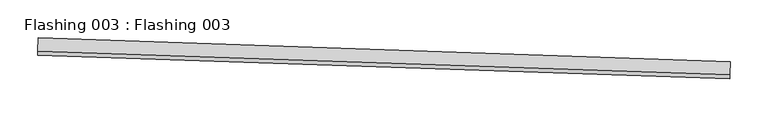
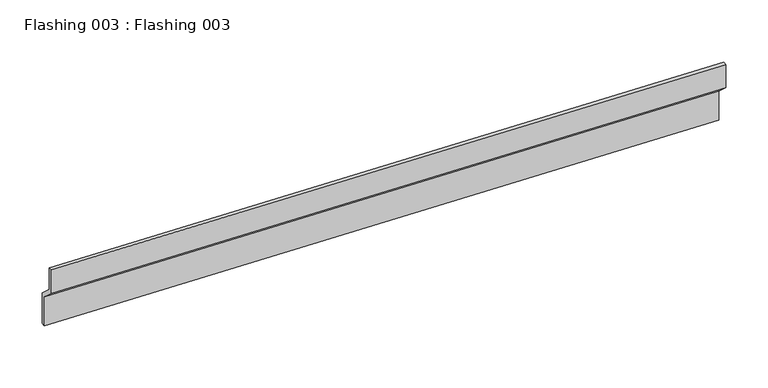
"""IFC4 building model written with IfcOpenShell, lengths in millimetres: proxy geometry, Flashing 003 : Flashing 003."""

import ifcopenshell
import ifcopenshell.guid

model = None  # the IFC model being written
_history = None  # IfcOwnerHistory: only IFC2X3 demands one
_inside = {}  # id of a spatial element -> (the spatial element, [elements in it])
_under = {}  # id of a project, library or spatial element -> (it, [spatial elements below it])
_declared = {}  # id of a project -> (the project, [libraries it declares])
_typed = {}  # id of a type object -> (the type object, [elements of that type])
_made_of = {}  # id of a material, layer set ... -> (it, [elements and type objects made of it])


def new_model(schema):
    """Start an empty IFC model of exactly this schema.

    Asked for "IFC4X3", IfcOpenShell would pick the latest addendum, in which some entities
    have other attributes; the version numbers below select the first issue.
    IFC2X3 requires an IfcOwnerHistory on every rooted entity: one is made here for all.
    """
    global model, _history
    if schema == "IFC4X3":
        model = ifcopenshell.file(schema_version=(4, 3, 0, 0))
    else:
        model = ifcopenshell.file(schema=schema)
    _inside.clear()
    _under.clear()
    _declared.clear()
    _typed.clear()
    _made_of.clear()
    _history = None
    if model.schema == "IFC2X3":
        org = make("IfcOrganization", Name="unknown")
        user = make(
            "IfcPersonAndOrganization",
            ThePerson=make("IfcPerson", FamilyName="unknown"),
            TheOrganization=org,
        )
        app = make(
            "IfcApplication",
            ApplicationDeveloper=org,
            Version="unknown",
            ApplicationFullName="unknown",
            ApplicationIdentifier="unknown",
        )
        _history = make(
            "IfcOwnerHistory",
            OwningUser=user,
            OwningApplication=app,
            ChangeAction="ADDED",
            CreationDate=0,
        )
    return model


def make(cls, **values):
    """One entity of the class cls with the attributes given. An attribute that is None is left unset."""
    return model.create_entity(
        cls, **{name: value for name, value in values.items() if value is not None}
    )


def rooted(cls, **values):
    """An entity with a GlobalId (a new one), such as an element, a storey or a relation."""
    return make(cls, GlobalId=ifcopenshell.guid.new(), OwnerHistory=_history, **values)


def si_unit(unit_type, name, prefix=None):
    """IfcSIUnit, for example si_unit("LENGTHUNIT", "METRE", prefix="MILLI")."""
    return make("IfcSIUnit", UnitType=unit_type, Prefix=prefix, Name=name)


def assignment(units):
    """IfcUnitAssignment: the units of a project."""
    return None if units is None else make("IfcUnitAssignment", Units=units)


def point(xyz):
    """IfcCartesianPoint."""
    return None if xyz is None else make("IfcCartesianPoint", Coordinates=xyz)


def direction(xyz):
    """IfcDirection."""
    return None if xyz is None else make("IfcDirection", DirectionRatios=xyz)


def frame(location, z_axis=None, x_axis=None):
    """IfcAxis2Placement3D, a coordinate frame: its origin and axes. An axis left out is left unset."""
    return make(
        "IfcAxis2Placement3D",
        Location=point(location),
        Axis=direction(z_axis),
        RefDirection=direction(x_axis),
    )


def origin():
    """The frame at (0, 0, 0) with its axes left unset."""
    return frame((0.0, 0.0, 0.0))


def place(relative_to, where):
    """IfcLocalPlacement: puts the frame where relative to a parent placement (None: the world)."""
    return make(
        "IfcLocalPlacement", PlacementRelTo=relative_to, RelativePlacement=where
    )


def context(
    kind, dimensions, precision=None, world=None, true_north=None, identifier=None
):
    """IfcGeometricRepresentationContext, for example the 3D "Model" context."""
    return make(
        "IfcGeometricRepresentationContext",
        ContextIdentifier=identifier,
        ContextType=kind,
        CoordinateSpaceDimension=dimensions,
        Precision=precision,
        WorldCoordinateSystem=world,
        TrueNorth=true_north,
    )


def project(units=None, contexts=None):
    """IfcProject with its units and contexts."""
    return rooted(
        "IfcProject",
        Name="project",
        RepresentationContexts=contexts,
        UnitsInContext=assignment(units),
    )


def spatial(cls, under=None, at=None, **own):
    """A site, building, storey or space (cls), placed at a placement, below another one or the project."""
    s = rooted(cls, ObjectPlacement=at, **own)
    if under is not None:
        _under.setdefault(under.id(), (under, []))[1].append(s)
    return s


def polyline(points):
    """IfcPolyline through the points."""
    return make("IfcPolyline", Points=[point(p) for p in points])


def outline(outer, holes=None, kind="AREA"):
    """IfcArbitraryClosedProfileDef: a profile drawn as a closed curve; with holes, ...WithVoids."""
    if holes is None:
        return make("IfcArbitraryClosedProfileDef", ProfileType=kind, OuterCurve=outer)
    return make(
        "IfcArbitraryProfileDefWithVoids",
        ProfileType=kind,
        OuterCurve=outer,
        InnerCurves=holes,
    )


def extrude(swept, where, along, depth):
    """IfcExtrudedAreaSolid: the profile swept, set in the frame where, extruded along a direction by depth."""
    return make(
        "IfcExtrudedAreaSolid",
        SweptArea=swept,
        Position=where,
        ExtrudedDirection=direction(along),
        Depth=depth,
    )


def shape(context_of_items, identifier, shape_type, items):
    """IfcShapeRepresentation: the items that make up one representation, for example the "Body"."""
    return make(
        "IfcShapeRepresentation",
        ContextOfItems=context_of_items,
        RepresentationIdentifier=identifier,
        RepresentationType=shape_type,
        Items=items,
    )


def source(mapping_origin, context_of_items, identifier, shape_type, items):
    """IfcRepresentationMap: a shape defined once, which mapped items show again and again."""
    return make(
        "IfcRepresentationMap",
        MappingOrigin=mapping_origin,
        MappedRepresentation=shape(context_of_items, identifier, shape_type, items),
    )


def transform(
    local_origin,
    x_axis=None,
    y_axis=None,
    z_axis=None,
    scale=None,
    scale2=None,
    scale3=None,
    uniform=True,
):
    """IfcCartesianTransformationOperator3D, or its non-uniform kind. x_axis, y_axis, z_axis: its Axis1, 2, 3."""
    if uniform:
        return make(
            "IfcCartesianTransformationOperator3D",
            Axis1=direction(x_axis),
            Axis2=direction(y_axis),
            LocalOrigin=point(local_origin),
            Scale=scale,
            Axis3=direction(z_axis),
        )
    return make(
        "IfcCartesianTransformationOperator3DnonUniform",
        Axis1=direction(x_axis),
        Axis2=direction(y_axis),
        LocalOrigin=point(local_origin),
        Scale=scale,
        Axis3=direction(z_axis),
        Scale2=scale2,
        Scale3=scale3,
    )


def mapped(mapping_source, mapping_target):
    """IfcMappedItem: shows the shape of a source again, moved by a transform."""
    return make(
        "IfcMappedItem", MappingSource=mapping_source, MappingTarget=mapping_target
    )


def made_of(thing, what):
    """Note that an element or type object is made of a material, layer set ...; save() writes the relation."""
    if what is not None:
        _made_of.setdefault(what.id(), (what, []))[1].append(thing)
    return thing


def element(
    cls,
    number,
    at=None,
    inside=None,
    cuts=None,
    type_object=None,
    material=None,
    context=None,
    identifier="Body",
    shape_type=None,
    held_by="IfcProductDefinitionShape",
    body=None,
    shapes=None,
    **own,
):
    """One element of the class cls, such as IfcWall. Its Tag is "e" and its number.

    at: its placement. inside: the storey or other place that contains it. cuts: it is an
    opening in that element (IfcRelVoidsElement). A single representation is given by context,
    identifier, shape_type and body (its items); several are given by shapes. held_by: the class
    of the entity that holds the representations. save() writes the other relations.
    """
    e = rooted(cls, Tag="e%d" % number, ObjectPlacement=at, **own)
    if body is not None:
        shapes = [shape(context, identifier, shape_type, body)]
    if shapes is not None:
        e.Representation = make(held_by, Representations=shapes)
    if inside is not None:
        _inside.setdefault(inside.id(), (inside, []))[1].append(e)
    if cuts is not None:
        rooted(
            "IfcRelVoidsElement", RelatingBuildingElement=cuts, RelatedOpeningElement=e
        )
    if type_object is not None:
        _typed.setdefault(type_object.id(), (type_object, []))[1].append(e)
    return made_of(e, material)


def aggregate(whole, parts):
    """IfcRelAggregates: a whole, such as a stair, and the parts it consists of."""
    return rooted("IfcRelAggregates", RelatingObject=whole, RelatedObjects=parts)


def save(model, path):
    """Write the relations noted so far, then the file.

    IfcRelAggregates (storeys below a building ...), IfcRelContainedInSpatialStructure (elements
    in a storey), IfcRelDefinesByType, IfcRelAssociatesMaterial and IfcRelDeclares: one each for
    every whole, place, type object, material and project.
    """
    for whole, parts in _under.values():
        aggregate(whole, parts)
    for where, things in _inside.values():
        rooted(
            "IfcRelContainedInSpatialStructure",
            RelatedElements=things,
            RelatingStructure=where,
        )
    for kind, things in _typed.values():
        rooted("IfcRelDefinesByType", RelatedObjects=things, RelatingType=kind)
    for what, things in _made_of.values():
        rooted("IfcRelAssociatesMaterial", RelatedObjects=things, RelatingMaterial=what)
    for by, libraries in _declared.values():
        rooted("IfcRelDeclares", RelatingContext=by, RelatedDefinitions=libraries)
    model.write(path)


def flashing_003_flashing_003_a5936d9d(model_context):
    return source(origin(), model_context, "Body", "SweptSolid", [
        extrude(outline(polyline([(0.0, 0.0), (23.875727, 0.0), (45.0506026, 23.149093), (49.0800325, 19.4633037), (26.2814392, -5.4608926), (2.4057122, -5.4608926), (-26.0278941, -36.5454764), (-30.057324, -32.8596872), (0.0, 0.0)])), frame((34367.0398185, -15115.5668219, 4204.4389153), z_axis=(-0.9994149479166254, 0.034201781836756866, 0.0), x_axis=(-0.02523647578640499, -0.7374385128251768, 0.6749426346676239)), (0.0, 0.0, 1.0), 914.4),
    ])


if __name__ == "__main__":
    model = new_model("IFC4")
    model_context = context("Model", 3, world=origin())
    ifc_project = project(units=[si_unit("LENGTHUNIT", "METRE", prefix="MILLI")], contexts=[model_context])
    site = spatial("IfcSite", under=ifc_project)
    building = spatial("IfcBuilding", under=site)
    placement = place(None, origin())
    flashing_003_flashing_003_shape = flashing_003_flashing_003_a5936d9d(model_context)
    element("IfcBuildingElementProxy", 1, Name="Flashing 003 : Flashing 003", ObjectType="Flashing 003 : Flashing 003", at=placement, inside=building, context=model_context, shape_type="MappedRepresentation", body=[
        mapped(flashing_003_flashing_003_shape, transform((0.0, 0.0, 0.0), x_axis=(1.0, 0.0, 0.0), y_axis=(0.0, 1.0, 0.0), z_axis=(0.0, 0.0, 1.0))),
    ])
    save(model, "model.ifc")
